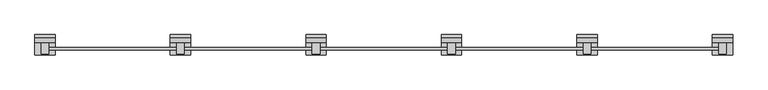
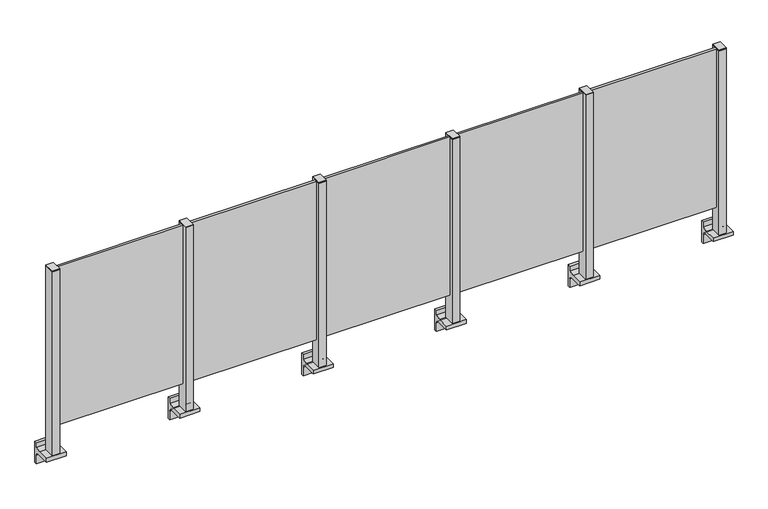
"""IFC4 building model written with IfcOpenShell, lengths in millimetres: railing geometry."""

import ifcopenshell
import ifcopenshell.guid

model = None  # the IFC model being written
_history = None  # IfcOwnerHistory: only IFC2X3 demands one
_inside = {}  # id of a spatial element -> (the spatial element, [elements in it])
_under = {}  # id of a project, library or spatial element -> (it, [spatial elements below it])
_declared = {}  # id of a project -> (the project, [libraries it declares])
_typed = {}  # id of a type object -> (the type object, [elements of that type])
_made_of = {}  # id of a material, layer set ... -> (it, [elements and type objects made of it])


def new_model(schema):
    """Start an empty IFC model of exactly this schema.

    Asked for "IFC4X3", IfcOpenShell would pick the latest addendum, in which some entities
    have other attributes; the version numbers below select the first issue.
    IFC2X3 requires an IfcOwnerHistory on every rooted entity: one is made here for all.
    """
    global model, _history
    if schema == "IFC4X3":
        model = ifcopenshell.file(schema_version=(4, 3, 0, 0))
    else:
        model = ifcopenshell.file(schema=schema)
    _inside.clear()
    _under.clear()
    _declared.clear()
    _typed.clear()
    _made_of.clear()
    _history = None
    if model.schema == "IFC2X3":
        org = make("IfcOrganization", Name="unknown")
        user = make(
            "IfcPersonAndOrganization",
            ThePerson=make("IfcPerson", FamilyName="unknown"),
            TheOrganization=org,
        )
        app = make(
            "IfcApplication",
            ApplicationDeveloper=org,
            Version="unknown",
            ApplicationFullName="unknown",
            ApplicationIdentifier="unknown",
        )
        _history = make(
            "IfcOwnerHistory",
            OwningUser=user,
            OwningApplication=app,
            ChangeAction="ADDED",
            CreationDate=0,
        )
    return model


def make(cls, **values):
    """One entity of the class cls with the attributes given. An attribute that is None is left unset."""
    return model.create_entity(
        cls, **{name: value for name, value in values.items() if value is not None}
    )


def rooted(cls, **values):
    """An entity with a GlobalId (a new one), such as an element, a storey or a relation."""
    return make(cls, GlobalId=ifcopenshell.guid.new(), OwnerHistory=_history, **values)


def si_unit(unit_type, name, prefix=None):
    """IfcSIUnit, for example si_unit("LENGTHUNIT", "METRE", prefix="MILLI")."""
    return make("IfcSIUnit", UnitType=unit_type, Prefix=prefix, Name=name)


def assignment(units):
    """IfcUnitAssignment: the units of a project."""
    return None if units is None else make("IfcUnitAssignment", Units=units)


def point(xyz):
    """IfcCartesianPoint."""
    return None if xyz is None else make("IfcCartesianPoint", Coordinates=xyz)


def direction(xyz):
    """IfcDirection."""
    return None if xyz is None else make("IfcDirection", DirectionRatios=xyz)


def frame(location, z_axis=None, x_axis=None):
    """IfcAxis2Placement3D, a coordinate frame: its origin and axes. An axis left out is left unset."""
    return make(
        "IfcAxis2Placement3D",
        Location=point(location),
        Axis=direction(z_axis),
        RefDirection=direction(x_axis),
    )


def frame_2d(location, x_axis=None):
    """IfcAxis2Placement2D, a coordinate frame in the plane: its origin and x axis."""
    return make(
        "IfcAxis2Placement2D", Location=point(location), RefDirection=direction(x_axis)
    )


def origin():
    """The frame at (0, 0, 0) with its axes left unset."""
    return frame((0.0, 0.0, 0.0))


def place(relative_to, where):
    """IfcLocalPlacement: puts the frame where relative to a parent placement (None: the world)."""
    return make(
        "IfcLocalPlacement", PlacementRelTo=relative_to, RelativePlacement=where
    )


def context(
    kind, dimensions, precision=None, world=None, true_north=None, identifier=None
):
    """IfcGeometricRepresentationContext, for example the 3D "Model" context."""
    return make(
        "IfcGeometricRepresentationContext",
        ContextIdentifier=identifier,
        ContextType=kind,
        CoordinateSpaceDimension=dimensions,
        Precision=precision,
        WorldCoordinateSystem=world,
        TrueNorth=true_north,
    )


def project(units=None, contexts=None):
    """IfcProject with its units and contexts."""
    return rooted(
        "IfcProject",
        Name="project",
        RepresentationContexts=contexts,
        UnitsInContext=assignment(units),
    )


def spatial(cls, under=None, at=None, **own):
    """A site, building, storey or space (cls), placed at a placement, below another one or the project."""
    s = rooted(cls, ObjectPlacement=at, **own)
    if under is not None:
        _under.setdefault(under.id(), (under, []))[1].append(s)
    return s


def polyline(points):
    """IfcPolyline through the points."""
    return make("IfcPolyline", Points=[point(p) for p in points])


def circle_curve(where, radius):
    """IfcCircle in the frame where."""
    return make("IfcCircle", Position=where, Radius=radius)


def trimmed(basis, trim1, trim2, sense, master):
    """IfcTrimmedCurve: the piece of a basis curve between two trims."""
    return make(
        "IfcTrimmedCurve",
        BasisCurve=basis,
        Trim1=trim1,
        Trim2=trim2,
        SenseAgreement=sense,
        MasterRepresentation=master,
    )


def segment(curve, same_sense, transition):
    """IfcCompositeCurveSegment."""
    return make(
        "IfcCompositeCurveSegment",
        Transition=transition,
        SameSense=same_sense,
        ParentCurve=curve,
    )


def composite_curve(segments, self_intersect=None):
    """IfcCompositeCurve: segments joined end to end."""
    return make("IfcCompositeCurve", Segments=segments, SelfIntersect=self_intersect)


def outline(outer, holes=None, kind="AREA"):
    """IfcArbitraryClosedProfileDef: a profile drawn as a closed curve; with holes, ...WithVoids."""
    if holes is None:
        return make("IfcArbitraryClosedProfileDef", ProfileType=kind, OuterCurve=outer)
    return make(
        "IfcArbitraryProfileDefWithVoids",
        ProfileType=kind,
        OuterCurve=outer,
        InnerCurves=holes,
    )


def extrude(swept, where, along, depth):
    """IfcExtrudedAreaSolid: the profile swept, set in the frame where, extruded along a direction by depth."""
    return make(
        "IfcExtrudedAreaSolid",
        SweptArea=swept,
        Position=where,
        ExtrudedDirection=direction(along),
        Depth=depth,
    )


def shape(context_of_items, identifier, shape_type, items):
    """IfcShapeRepresentation: the items that make up one representation, for example the "Body"."""
    return make(
        "IfcShapeRepresentation",
        ContextOfItems=context_of_items,
        RepresentationIdentifier=identifier,
        RepresentationType=shape_type,
        Items=items,
    )


def source(mapping_origin, context_of_items, identifier, shape_type, items):
    """IfcRepresentationMap: a shape defined once, which mapped items show again and again."""
    return make(
        "IfcRepresentationMap",
        MappingOrigin=mapping_origin,
        MappedRepresentation=shape(context_of_items, identifier, shape_type, items),
    )


def transform(
    local_origin,
    x_axis=None,
    y_axis=None,
    z_axis=None,
    scale=None,
    scale2=None,
    scale3=None,
    uniform=True,
):
    """IfcCartesianTransformationOperator3D, or its non-uniform kind. x_axis, y_axis, z_axis: its Axis1, 2, 3."""
    if uniform:
        return make(
            "IfcCartesianTransformationOperator3D",
            Axis1=direction(x_axis),
            Axis2=direction(y_axis),
            LocalOrigin=point(local_origin),
            Scale=scale,
            Axis3=direction(z_axis),
        )
    return make(
        "IfcCartesianTransformationOperator3DnonUniform",
        Axis1=direction(x_axis),
        Axis2=direction(y_axis),
        LocalOrigin=point(local_origin),
        Scale=scale,
        Axis3=direction(z_axis),
        Scale2=scale2,
        Scale3=scale3,
    )


def mapped(mapping_source, mapping_target):
    """IfcMappedItem: shows the shape of a source again, moved by a transform."""
    return make(
        "IfcMappedItem", MappingSource=mapping_source, MappingTarget=mapping_target
    )


def made_of(thing, what):
    """Note that an element or type object is made of a material, layer set ...; save() writes the relation."""
    if what is not None:
        _made_of.setdefault(what.id(), (what, []))[1].append(thing)
    return thing


def element(
    cls,
    number,
    at=None,
    inside=None,
    cuts=None,
    type_object=None,
    material=None,
    context=None,
    identifier="Body",
    shape_type=None,
    held_by="IfcProductDefinitionShape",
    body=None,
    shapes=None,
    **own,
):
    """One element of the class cls, such as IfcWall. Its Tag is "e" and its number.

    at: its placement. inside: the storey or other place that contains it. cuts: it is an
    opening in that element (IfcRelVoidsElement). A single representation is given by context,
    identifier, shape_type and body (its items); several are given by shapes. held_by: the class
    of the entity that holds the representations. save() writes the other relations.
    """
    e = rooted(cls, Tag="e%d" % number, ObjectPlacement=at, **own)
    if body is not None:
        shapes = [shape(context, identifier, shape_type, body)]
    if shapes is not None:
        e.Representation = make(held_by, Representations=shapes)
    if inside is not None:
        _inside.setdefault(inside.id(), (inside, []))[1].append(e)
    if cuts is not None:
        rooted(
            "IfcRelVoidsElement", RelatingBuildingElement=cuts, RelatedOpeningElement=e
        )
    if type_object is not None:
        _typed.setdefault(type_object.id(), (type_object, []))[1].append(e)
    return made_of(e, material)


def aggregate(whole, parts):
    """IfcRelAggregates: a whole, such as a stair, and the parts it consists of."""
    return rooted("IfcRelAggregates", RelatingObject=whole, RelatedObjects=parts)


def save(model, path):
    """Write the relations noted so far, then the file.

    IfcRelAggregates (storeys below a building ...), IfcRelContainedInSpatialStructure (elements
    in a storey), IfcRelDefinesByType, IfcRelAssociatesMaterial and IfcRelDeclares: one each for
    every whole, place, type object, material and project.
    """
    for whole, parts in _under.values():
        aggregate(whole, parts)
    for where, things in _inside.values():
        rooted(
            "IfcRelContainedInSpatialStructure",
            RelatedElements=things,
            RelatingStructure=where,
        )
    for kind, things in _typed.values():
        rooted("IfcRelDefinesByType", RelatedObjects=things, RelatingType=kind)
    for what, things in _made_of.values():
        rooted("IfcRelAssociatesMaterial", RelatedObjects=things, RelatingMaterial=what)
    for by, libraries in _declared.values():
        rooted("IfcRelDeclares", RelatingContext=by, RelatedDefinitions=libraries)
    model.write(path)


def railing_9ed5aa46(model_context):
    return source(origin(), model_context, "Body", "SweptSolid", [
        extrude(outline(polyline([(45210.0, 7310.3094929), (45210.0, 7323.5094929), (45990.0, 7323.5094929), (45990.0, 7310.3094929), (45210.0, 7310.3094929)])), frame((0.0, 0.0, 95.0), z_axis=(0.0, 0.0, 1.0), x_axis=(1.0, 0.0, 0.0)), (0.0, 0.0, 1.0), 1005.0),
        extrude(outline(composite_curve([segment(polyline([(7350.1846828, -70.0), (7384.1846828, -63.0), (7384.1846828, -32.5), (7400.1846828, -32.5), (7400.1846828, -167.5), (7384.1846828, -167.5), (7384.1846828, -113.5)]), True, "CONTINUOUS"), segment(trimmed(circle_curve(frame_2d((7364.1846828, -113.5)), 20.0), [point((7384.1846828, -113.5))], [point((7364.1846828, -93.5))], True, "CARTESIAN"), True, "CONTINUOUS"), segment(polyline([(7364.1846828, -93.5), (7280.1846828, -93.5), (7280.1846828, -70.0), (7350.1846828, -70.0)]), True, "CONTINUOUS")], self_intersect=False)), frame((45140.0, 0.0, 0.0), z_axis=(1.0, 0.0, 0.0), x_axis=(0.0, 1.0, 0.0)), (0.0, 0.0, 1.0), 120.0),
        extrude(outline(polyline([(45222.5, 7350.1846828), (45222.5, 7285.1846828), (45177.5, 7285.1846828), (45177.5, 7350.1846828), (45222.5, 7350.1846828)])), frame((0.0, 0.0, -70.0), z_axis=(0.0, 0.0, 1.0), x_axis=(1.0, 0.0, 0.0)), (0.0, 0.0, 1.0), 1170.0),
        extrude(outline(polyline([(45222.5, 7350.1846828), (45222.5, 7285.1846828), (45177.5, 7285.1846828), (45177.5, 7350.1846828), (45222.5, 7350.1846828)])), frame((0.0, 0.0, 1100.0), z_axis=(0.0, 0.0, 1.0), x_axis=(1.0, 0.0, 0.0)), (0.0, 0.0, 1.0), 5.0),
        extrude(outline(polyline([(44410.0, 7310.3094929), (44410.0, 7323.5094929), (45190.0, 7323.5094929), (45190.0, 7310.3094929), (44410.0, 7310.3094929)])), frame((0.0, 0.0, 95.0), z_axis=(0.0, 0.0, 1.0), x_axis=(1.0, 0.0, 0.0)), (0.0, 0.0, 1.0), 1005.0),
        extrude(outline(composite_curve([segment(polyline([(7350.1846828, -70.0), (7384.1846828, -63.0), (7384.1846828, -32.5), (7400.1846828, -32.5), (7400.1846828, -167.5), (7384.1846828, -167.5), (7384.1846828, -113.5)]), True, "CONTINUOUS"), segment(trimmed(circle_curve(frame_2d((7364.1846828, -113.5)), 20.0), [point((7384.1846828, -113.5))], [point((7364.1846828, -93.5))], True, "CARTESIAN"), True, "CONTINUOUS"), segment(polyline([(7364.1846828, -93.5), (7280.1846828, -93.5), (7280.1846828, -70.0), (7350.1846828, -70.0)]), True, "CONTINUOUS")], self_intersect=False)), frame((44340.0, 0.0, 0.0), z_axis=(1.0, 0.0, 0.0), x_axis=(0.0, 1.0, 0.0)), (0.0, 0.0, 1.0), 120.0),
        extrude(outline(polyline([(44422.5, 7350.1846828), (44422.5, 7285.1846828), (44377.5, 7285.1846828), (44377.5, 7350.1846828), (44422.5, 7350.1846828)])), frame((0.0, 0.0, -70.0), z_axis=(0.0, 0.0, 1.0), x_axis=(1.0, 0.0, 0.0)), (0.0, 0.0, 1.0), 1170.0),
        extrude(outline(polyline([(44422.5, 7350.1846828), (44422.5, 7285.1846828), (44377.5, 7285.1846828), (44377.5, 7350.1846828), (44422.5, 7350.1846828)])), frame((0.0, 0.0, 1100.0), z_axis=(0.0, 0.0, 1.0), x_axis=(1.0, 0.0, 0.0)), (0.0, 0.0, 1.0), 5.0),
        extrude(outline(polyline([(43610.0, 7310.3094929), (43610.0, 7323.5094929), (44390.0, 7323.5094929), (44390.0, 7310.3094929), (43610.0, 7310.3094929)])), frame((0.0, 0.0, 95.0), z_axis=(0.0, 0.0, 1.0), x_axis=(1.0, 0.0, 0.0)), (0.0, 0.0, 1.0), 1005.0),
        extrude(outline(composite_curve([segment(polyline([(7350.1846828, -70.0), (7384.1846828, -63.0), (7384.1846828, -32.5), (7400.1846828, -32.5), (7400.1846828, -167.5), (7384.1846828, -167.5), (7384.1846828, -113.5)]), True, "CONTINUOUS"), segment(trimmed(circle_curve(frame_2d((7364.1846828, -113.5)), 20.0), [point((7384.1846828, -113.5))], [point((7364.1846828, -93.5))], True, "CARTESIAN"), True, "CONTINUOUS"), segment(polyline([(7364.1846828, -93.5), (7280.1846828, -93.5), (7280.1846828, -70.0), (7350.1846828, -70.0)]), True, "CONTINUOUS")], self_intersect=False)), frame((43540.0, 0.0, 0.0), z_axis=(1.0, 0.0, 0.0), x_axis=(0.0, 1.0, 0.0)), (0.0, 0.0, 1.0), 120.0),
        extrude(outline(polyline([(43622.5, 7350.1846828), (43622.5, 7285.1846828), (43577.5, 7285.1846828), (43577.5, 7350.1846828), (43622.5, 7350.1846828)])), frame((0.0, 0.0, -70.0), z_axis=(0.0, 0.0, 1.0), x_axis=(1.0, 0.0, 0.0)), (0.0, 0.0, 1.0), 1170.0),
        extrude(outline(polyline([(43622.5, 7350.1846828), (43622.5, 7285.1846828), (43577.5, 7285.1846828), (43577.5, 7350.1846828), (43622.5, 7350.1846828)])), frame((0.0, 0.0, 1100.0), z_axis=(0.0, 0.0, 1.0), x_axis=(1.0, 0.0, 0.0)), (0.0, 0.0, 1.0), 5.0),
        extrude(outline(polyline([(42810.0, 7310.3094929), (42810.0, 7323.5094929), (43590.0, 7323.5094929), (43590.0, 7310.3094929), (42810.0, 7310.3094929)])), frame((0.0, 0.0, 95.0), z_axis=(0.0, 0.0, 1.0), x_axis=(1.0, 0.0, 0.0)), (0.0, 0.0, 1.0), 1005.0),
        extrude(outline(composite_curve([segment(polyline([(7350.1846828, -70.0), (7384.1846828, -63.0), (7384.1846828, -32.5), (7400.1846828, -32.5), (7400.1846828, -167.5), (7384.1846828, -167.5), (7384.1846828, -113.5)]), True, "CONTINUOUS"), segment(trimmed(circle_curve(frame_2d((7364.1846828, -113.5)), 20.0), [point((7384.1846828, -113.5))], [point((7364.1846828, -93.5))], True, "CARTESIAN"), True, "CONTINUOUS"), segment(polyline([(7364.1846828, -93.5), (7280.1846828, -93.5), (7280.1846828, -70.0), (7350.1846828, -70.0)]), True, "CONTINUOUS")], self_intersect=False)), frame((42740.0, 0.0, 0.0), z_axis=(1.0, 0.0, 0.0), x_axis=(0.0, 1.0, 0.0)), (0.0, 0.0, 1.0), 120.0),
        extrude(outline(polyline([(42822.5, 7350.1846828), (42822.5, 7285.1846828), (42777.5, 7285.1846828), (42777.5, 7350.1846828), (42822.5, 7350.1846828)])), frame((0.0, 0.0, -70.0), z_axis=(0.0, 0.0, 1.0), x_axis=(1.0, 0.0, 0.0)), (0.0, 0.0, 1.0), 1170.0),
        extrude(outline(polyline([(42822.5, 7350.1846828), (42822.5, 7285.1846828), (42777.5, 7285.1846828), (42777.5, 7350.1846828), (42822.5, 7350.1846828)])), frame((0.0, 0.0, 1100.0), z_axis=(0.0, 0.0, 1.0), x_axis=(1.0, 0.0, 0.0)), (0.0, 0.0, 1.0), 5.0),
        extrude(outline(polyline([(42010.0, 7310.3094929), (42010.0, 7323.5094929), (42790.0, 7323.5094929), (42790.0, 7310.3094929), (42010.0, 7310.3094929)])), frame((0.0, 0.0, 95.0), z_axis=(0.0, 0.0, 1.0), x_axis=(1.0, 0.0, 0.0)), (0.0, 0.0, 1.0), 1005.0),
        extrude(outline(composite_curve([segment(polyline([(7350.1846828, -70.0), (7384.1846828, -63.0), (7384.1846828, -32.5), (7400.1846828, -32.5), (7400.1846828, -167.5), (7384.1846828, -167.5), (7384.1846828, -113.5)]), True, "CONTINUOUS"), segment(trimmed(circle_curve(frame_2d((7364.1846828, -113.5)), 20.0), [point((7384.1846828, -113.5))], [point((7364.1846828, -93.5))], True, "CARTESIAN"), True, "CONTINUOUS"), segment(polyline([(7364.1846828, -93.5), (7280.1846828, -93.5), (7280.1846828, -70.0), (7350.1846828, -70.0)]), True, "CONTINUOUS")], self_intersect=False)), frame((45940.0, 0.0, 0.0), z_axis=(1.0, 0.0, 0.0), x_axis=(0.0, 1.0, 0.0)), (0.0, 0.0, 1.0), 120.0),
        extrude(outline(polyline([(46022.5, 7350.1846828), (46022.5, 7285.1846828), (45977.5, 7285.1846828), (45977.5, 7350.1846828), (46022.5, 7350.1846828)])), frame((0.0, 0.0, -70.0), z_axis=(0.0, 0.0, 1.0), x_axis=(1.0, 0.0, 0.0)), (0.0, 0.0, 1.0), 1170.0),
        extrude(outline(polyline([(46022.5, 7350.1846828), (46022.5, 7285.1846828), (45977.5, 7285.1846828), (45977.5, 7350.1846828), (46022.5, 7350.1846828)])), frame((0.0, 0.0, 1100.0), z_axis=(0.0, 0.0, 1.0), x_axis=(1.0, 0.0, 0.0)), (0.0, 0.0, 1.0), 5.0),
        extrude(outline(composite_curve([segment(polyline([(7350.1846828, -70.0), (7384.1846828, -63.0), (7384.1846828, -32.5), (7400.1846828, -32.5), (7400.1846828, -167.5), (7384.1846828, -167.5), (7384.1846828, -113.5)]), True, "CONTINUOUS"), segment(trimmed(circle_curve(frame_2d((7364.1846828, -113.5)), 20.0), [point((7384.1846828, -113.5))], [point((7364.1846828, -93.5))], True, "CARTESIAN"), True, "CONTINUOUS"), segment(polyline([(7364.1846828, -93.5), (7280.1846828, -93.5), (7280.1846828, -70.0), (7350.1846828, -70.0)]), True, "CONTINUOUS")], self_intersect=False)), frame((41940.0, 0.0, 0.0), z_axis=(1.0, 0.0, 0.0), x_axis=(0.0, 1.0, 0.0)), (0.0, 0.0, 1.0), 120.0),
        extrude(outline(polyline([(42022.5, 7350.1846828), (42022.5, 7285.1846828), (41977.5, 7285.1846828), (41977.5, 7350.1846828), (42022.5, 7350.1846828)])), frame((0.0, 0.0, -70.0), z_axis=(0.0, 0.0, 1.0), x_axis=(1.0, 0.0, 0.0)), (0.0, 0.0, 1.0), 1170.0),
        extrude(outline(polyline([(42022.5, 7350.1846828), (42022.5, 7285.1846828), (41977.5, 7285.1846828), (41977.5, 7350.1846828), (42022.5, 7350.1846828)])), frame((0.0, 0.0, 1100.0), z_axis=(0.0, 0.0, 1.0), x_axis=(1.0, 0.0, 0.0)), (0.0, 0.0, 1.0), 5.0),
    ])


if __name__ == "__main__":
    model = new_model("IFC4")
    model_context = context("Model", 3, world=origin())
    ifc_project = project(units=[si_unit("LENGTHUNIT", "METRE", prefix="MILLI")], contexts=[model_context])
    site = spatial("IfcSite", under=ifc_project)
    building = spatial("IfcBuilding", under=site)
    placement = place(None, origin())
    railing_shape = railing_9ed5aa46(model_context)
    element("IfcRailing", 1, at=placement, inside=building, context=model_context, shape_type="MappedRepresentation", body=[
        mapped(railing_shape, transform((0.0, 0.0, 0.0), x_axis=(1.0, 0.0, 0.0), y_axis=(0.0, 1.0, 0.0), z_axis=(0.0, 0.0, 1.0))),
    ])
    save(model, "model.ifc")
